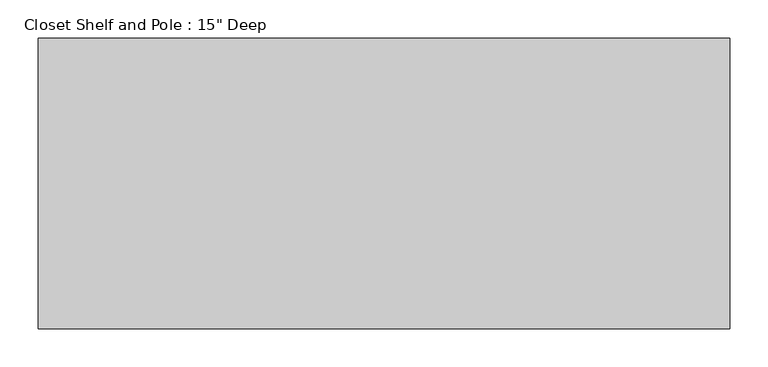
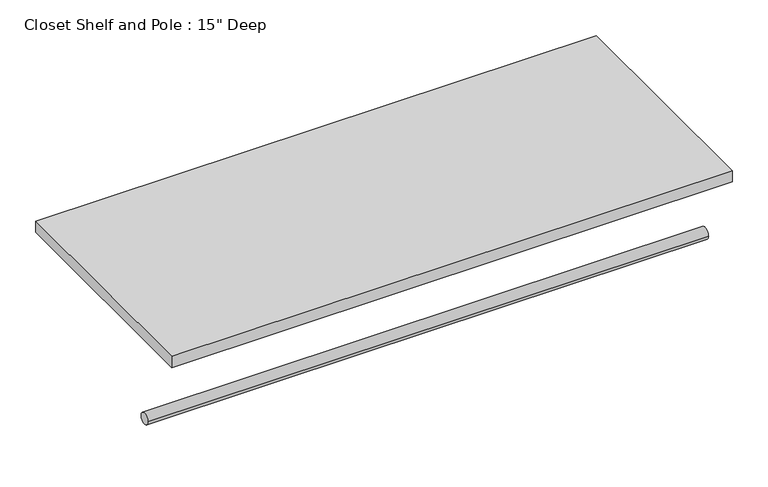
"""IFC4 building model written with IfcOpenShell, lengths in millimetres: proxy geometry."""

from ifc_helpers import new_model, si_unit, point, frame, frame_2d, origin, place, context, project, spatial, polyline, circle_curve, trimmed, segment, composite_curve, outline, extrude, source, transform, mapped, element, save


def proxy_54c024bb(model_context):
    return source(origin(), model_context, "Body", "SweptSolid", [
        extrude(outline(composite_curve([segment(trimmed(circle_curve(frame_2d((-304.8, 1676.4)), 9.525), [point((-314.325, 1676.4))], [point((-295.275, 1676.4))], False, "CARTESIAN"), True, "CONTINUOUS"), segment(trimmed(circle_curve(frame_2d((-304.8, 1676.4)), 9.525), [point((-295.275, 1676.4))], [point((-314.325, 1676.4))], False, "CARTESIAN"), True, "CONTINUOUS")], self_intersect=False)), frame((0.0, 0.0, 0.0), z_axis=(1.0, 0.0, 0.0), x_axis=(0.0, 1.0, 0.0)), (0.0, 0.0, 1.0), 907.0138769),
        extrude(outline(polyline([(907.0138769, 0.0), (907.0138769, -381.0), (0.0, -381.0), (0.0, 0.0), (907.0138769, 0.0)])), frame((0.0, 0.0, 1809.75), z_axis=(0.0, 0.0, 1.0), x_axis=(1.0, 0.0, 0.0)), (0.0, 0.0, 1.0), 19.05),
    ])


if __name__ == "__main__":
    model = new_model("IFC4")
    model_context = context("Model", 3, world=origin())
    ifc_project = project(units=[si_unit("LENGTHUNIT", "METRE", prefix="MILLI")], contexts=[model_context])
    site = spatial("IfcSite", under=ifc_project)
    building = spatial("IfcBuilding", under=site)
    placement = place(None, origin())
    proxy_shape = proxy_54c024bb(model_context)
    element("IfcBuildingElementProxy", 1, Name="Closet Shelf and Pole : 15\" Deep", ObjectType="Closet Shelf and Pole : 15\" Deep", at=placement, inside=building, context=model_context, shape_type="MappedRepresentation", body=[
        mapped(proxy_shape, transform((0.0, 0.0, 0.0), x_axis=(1.0, 0.0, 0.0), y_axis=(0.0, 1.0, 0.0), z_axis=(0.0, 0.0, 1.0))),
    ])
    save(model, "model.ifc")
